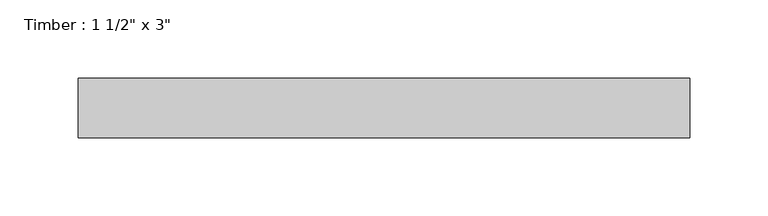
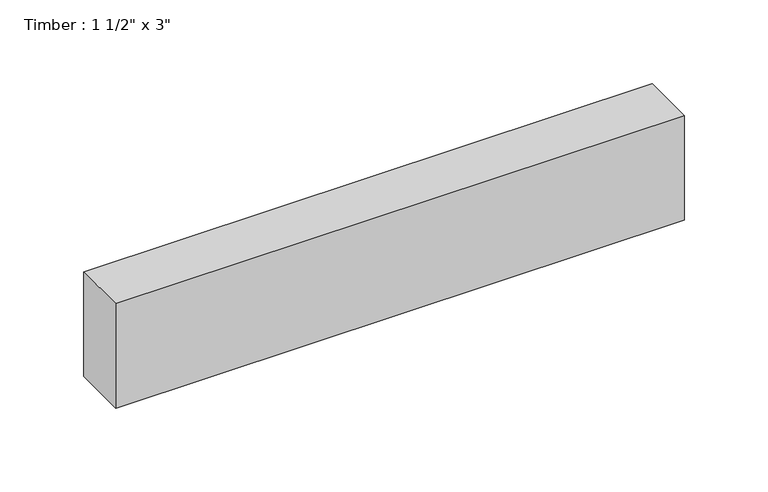
"""IFC4 building model written with IfcOpenShell, lengths in millimetres: beam geometry."""

from ifc_helpers import new_model, si_unit, frame, origin, place, context, project, spatial, polyline, outline, extrude, source, transform, mapped, element, save


def beam_267e9b55(model_context):
    return source(origin(), model_context, "Body", "SweptSolid", [
        extrude(outline(polyline([(195.5576696, 19.05), (195.5576696, -19.05), (-195.5576696, -19.05), (-195.5576696, 19.05), (195.5576696, 19.05)])), frame((0.0, 0.0, -38.1), z_axis=(0.0, 0.0, 1.0), x_axis=(1.0, 0.0, 0.0)), (0.0, 0.0, 1.0), 76.2),
    ])


if __name__ == "__main__":
    model = new_model("IFC4")
    model_context = context("Model", 3, world=origin())
    ifc_project = project(units=[si_unit("LENGTHUNIT", "METRE", prefix="MILLI")], contexts=[model_context])
    site = spatial("IfcSite", under=ifc_project)
    building = spatial("IfcBuilding", under=site)
    placement = place(None, origin())
    beam_shape = beam_267e9b55(model_context)
    element("IfcBeam", 1, ObjectType="Timber : 1 1/2\" x 3\"", at=placement, inside=building, context=model_context, shape_type="MappedRepresentation", body=[
        mapped(beam_shape, transform((0.0, 0.0, 0.0), x_axis=(1.0, 0.0, 0.0), y_axis=(0.0, 1.0, 0.0), z_axis=(0.0, 0.0, 1.0))),
    ])
    save(model, "model.ifc")
